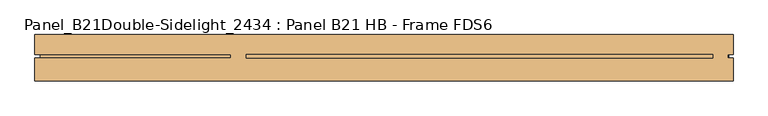
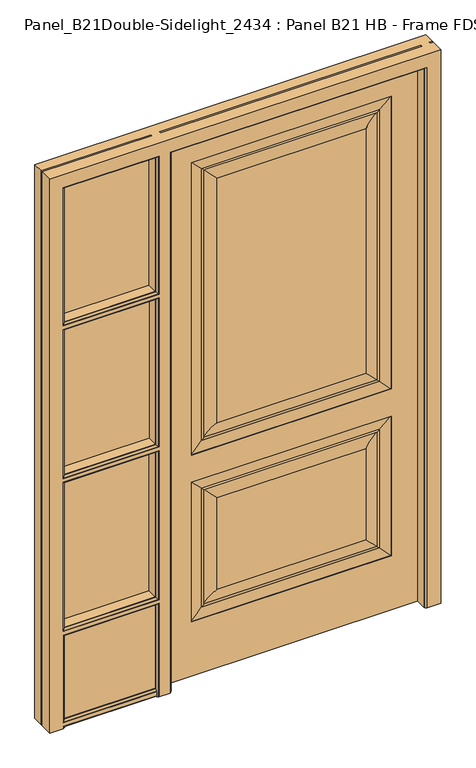
"""IFC4 building model written with IfcOpenShell, lengths in millimetres: door geometry, Panel_B21Double-Sidelight_2434 : Panel B21 HB - Frame FDS6."""

from ifc_helpers import new_model, si_unit, frame, origin, place, context, project, spatial, polyline, circle_curve, ellipse_curve, outline, extrude, source, transform, mapped, element, save
from ifc_brep_helpers import plane_surface, cylinder_surface, revolved_surface, advanced_brep


def panel_b21double_sidelight_2434_panel_b21_hb_frame_fds6_8e7d9f53(model_context):
    return source(origin(), model_context, "Body", "SolidModel", [
        advanced_brep(
        [(447.0, 0.0, 1985.0), (447.0, 44.45, 1985.0), (-447.0, 44.45, 1985.0), (-447.0, 0.0, 1985.0), (447.0, 0.0, 0.0), (-447.0, 0.0, 0.0), (-447.0, 44.45, 0.0), (447.0, 44.45, 0.0), (347.0, 0.0, 200.0), (-347.0, 0.0, 200.0), (-347.0, 0.0, 711.6666667), (347.0, 0.0, 711.6666667), (347.0, 0.0, 811.6666667), (-347.0, 0.0, 811.6666667), (-347.0, 0.0, 1885.0), (347.0, 0.0, 1885.0), (258.636302, 0.0, 623.3029687), (-258.636302, 0.0, 623.3029687), (-258.636302, 0.0, 288.363698), (258.636302, 0.0, 288.363698), (258.636302, 0.0, 1796.636302), (-258.636302, 0.0, 1796.636302), (-258.636302, 0.0, 900.0303647), (258.636302, 0.0, 900.0303647), (347.0, 1.0183566, 200.0), (347.0, 1.0183566, 711.6666667), (301.3336102, 6.6315511, 666.0002768), (301.3336102, 6.6315511, 245.6663898), (308.7657406, 4.9144196, 238.2342594), (308.7657406, 4.9144196, 673.4324073), (-347.0, 1.0183566, 200.0), (-301.3336102, 6.6315511, 245.6663898), (-308.7657406, 4.9144196, 238.2342594), (-347.0, 1.0183566, 711.6666667), (-301.3336102, 6.6315511, 666.0002768), (-308.7657406, 4.9144196, 673.4324073), (347.0, 1.0183566, 811.6666667), (347.0, 1.0183566, 1885.0), (301.3336102, 6.6315511, 1839.3336102), (301.3336102, 6.6315511, 857.3330565), (308.7657406, 4.9144196, 849.9009261), (308.7657406, 4.9144196, 1846.7657406), (-347.0, 1.0183566, 811.6666667), (-301.3336102, 6.6315511, 857.3330565), (-308.7657406, 4.9144196, 849.9009261), (-347.0, 1.0183566, 1885.0), (-301.3336102, 6.6315511, 1839.3336102), (-308.7657406, 4.9144196, 1846.7657406)],
        [
            (0, 1),
            (1, 2),
            (2, 3),
            (3, 0),
            (4, 5),
            (5, 6),
            (6, 7),
            (7, 4),
            (3, 5),
            (4, 0),
            (8, 9),
            (9, 10),
            (10, 11),
            (11, 8),
            (12, 13),
            (13, 14),
            (14, 15),
            (15, 12),
            (16, 17),
            (17, 18),
            (18, 19),
            (19, 16),
            (20, 21),
            (21, 22),
            (22, 23),
            (23, 20),
            (2, 6),
            (1, 7),
            (24, 8),
            (11, 25),
            (25, 24),
            (26, 16, ellipse_curve(frame((292.3362017, -76.2078428, 657.0028684), z_axis=(-0.7071067811865475, 0.0, 0.7071067811865475), x_axis=(0.7071067811865474, 0.0, 0.7071067811865476)), 117.8415763, 83.3265777)),
            (19, 27, ellipse_curve(frame((292.3362017, -76.2078428, 254.6637983), z_axis=(-0.7071067811865475, 0.0, -0.7071067811865475), x_axis=(-0.7071067811865474, 0.0, 0.7071067811865476)), 117.8415763, 83.3265777)),
            (27, 26),
            (27, 28, ellipse_curve(frame((305.2915169, 6.8197298, 241.7084831), z_axis=(0.7071067811865475, 0.0, 0.7071067811865475), x_axis=(0.7071067811865474, 0.0, -0.7071067811865476)), 5.6036483, 3.9623777)),
            (28, 29),
            (29, 26, ellipse_curve(frame((305.2915169, 6.8197298, 669.9581836), z_axis=(0.7071067811865475, 0.0, -0.7071067811865475), x_axis=(-0.7071067811865474, 0.0, -0.7071067811865476)), 5.6036483, 3.9623777)),
            (25, 29, ellipse_curve(frame((340.2777904, 124.6047169, 704.9444571), z_axis=(0.7071067811865475, 0.0, -0.7071067811865475), x_axis=(-0.7071067811865474, 0.0, -0.7071067811865476)), 175.0358624, 123.7690453)),
            (28, 24, ellipse_curve(frame((340.2777904, 124.6047169, 206.7222096), z_axis=(0.7071067811865475, 0.0, 0.7071067811865475), x_axis=(0.7071067811865474, 0.0, -0.7071067811865476)), 175.0358624, 123.7690453)),
            (30, 9),
            (24, 30),
            (18, 31, ellipse_curve(frame((-292.3362017, -76.2078428, 254.6637983), z_axis=(-0.7071067811865475, 0.0, 0.7071067811865475), x_axis=(0.7071067811865476, 0.0, 0.7071067811865474)), 117.8415763, 83.3265777)),
            (31, 27),
            (31, 32, ellipse_curve(frame((-305.2915169, 6.8197298, 241.7084831), z_axis=(0.7071067811865475, 0.0, -0.7071067811865475), x_axis=(-0.7071067811865476, 0.0, -0.7071067811865474)), 5.6036483, 3.9623777)),
            (32, 28),
            (32, 30, ellipse_curve(frame((-340.2777904, 124.6047169, 206.7222096), z_axis=(0.7071067811865475, 0.0, -0.7071067811865475), x_axis=(-0.7071067811865476, 0.0, -0.7071067811865474)), 175.0358624, 123.7690453)),
            (33, 10),
            (30, 33),
            (17, 34, ellipse_curve(frame((-292.3362017, -76.2078428, 657.0028684), z_axis=(0.7071067811865475, 0.0, 0.7071067811865475), x_axis=(0.7071067811865474, 0.0, -0.7071067811865476)), 117.8415763, 83.3265777)),
            (34, 31),
            (34, 35, ellipse_curve(frame((-305.2915169, 6.8197298, 669.9581836), z_axis=(-0.7071067811865475, 0.0, -0.7071067811865475), x_axis=(-0.7071067811865474, 0.0, 0.7071067811865476)), 5.6036483, 3.9623777)),
            (35, 32),
            (35, 33, ellipse_curve(frame((-340.2777904, 124.6047169, 704.9444571), z_axis=(-0.7071067811865475, 0.0, -0.7071067811865475), x_axis=(-0.7071067811865474, 0.0, 0.7071067811865476)), 175.0358624, 123.7690453)),
            (33, 25),
            (26, 34),
            (29, 35),
            (36, 12),
            (15, 37),
            (37, 36),
            (38, 20, ellipse_curve(frame((292.3362017, -76.2078428, 1830.3362017), z_axis=(-0.7071067811865475, 0.0, 0.7071067811865475), x_axis=(0.7071067811865474, 0.0, 0.7071067811865476)), 117.8415763, 83.3265777)),
            (23, 39, ellipse_curve(frame((292.3362017, -76.2078428, 866.330465), z_axis=(-0.7071067811865475, 0.0, -0.7071067811865475), x_axis=(-0.7071067811865474, 0.0, 0.7071067811865476)), 117.8415763, 83.3265777)),
            (39, 38),
            (39, 40, ellipse_curve(frame((305.2915169, 6.8197298, 853.3751497), z_axis=(0.7071067811865475, 0.0, 0.7071067811865475), x_axis=(0.7071067811865474, 0.0, -0.7071067811865476)), 5.6036483, 3.9623777)),
            (40, 41),
            (41, 38, ellipse_curve(frame((305.2915169, 6.8197298, 1843.2915169), z_axis=(0.7071067811865475, 0.0, -0.7071067811865475), x_axis=(-0.7071067811865474, 0.0, -0.7071067811865476)), 5.6036483, 3.9623777)),
            (37, 41, ellipse_curve(frame((340.2777904, 124.6047169, 1878.2777904), z_axis=(0.7071067811865475, 0.0, -0.7071067811865475), x_axis=(-0.7071067811865474, 0.0, -0.7071067811865476)), 175.0358624, 123.7690453)),
            (40, 36, ellipse_curve(frame((340.2777904, 124.6047169, 818.3888762), z_axis=(0.7071067811865475, 0.0, 0.7071067811865475), x_axis=(0.7071067811865474, 0.0, -0.7071067811865476)), 175.0358624, 123.7690453)),
            (42, 13),
            (36, 42),
            (22, 43, ellipse_curve(frame((-292.3362017, -76.2078428, 866.330465), z_axis=(-0.7071067811865475, 0.0, 0.7071067811865475), x_axis=(0.7071067811865476, 0.0, 0.7071067811865474)), 117.8415763, 83.3265777)),
            (43, 39),
            (43, 44, ellipse_curve(frame((-305.2915169, 6.8197298, 853.3751497), z_axis=(0.7071067811865475, 0.0, -0.7071067811865475), x_axis=(-0.7071067811865476, 0.0, -0.7071067811865474)), 5.6036483, 3.9623777)),
            (44, 40),
            (44, 42, ellipse_curve(frame((-340.2777904, 124.6047169, 818.3888762), z_axis=(0.7071067811865475, 0.0, -0.7071067811865475), x_axis=(-0.7071067811865476, 0.0, -0.7071067811865474)), 175.0358624, 123.7690453)),
            (45, 14),
            (42, 45),
            (21, 46, ellipse_curve(frame((-292.3362017, -76.2078428, 1830.3362017), z_axis=(0.7071067811865475, 0.0, 0.7071067811865475), x_axis=(0.7071067811865474, 0.0, -0.7071067811865476)), 117.8415763, 83.3265777)),
            (46, 43),
            (46, 47, ellipse_curve(frame((-305.2915169, 6.8197298, 1843.2915169), z_axis=(-0.7071067811865475, 0.0, -0.7071067811865475), x_axis=(-0.7071067811865474, 0.0, 0.7071067811865476)), 5.6036483, 3.9623777)),
            (47, 44),
            (47, 45, ellipse_curve(frame((-340.2777904, 124.6047169, 1878.2777904), z_axis=(-0.7071067811865475, 0.0, -0.7071067811865475), x_axis=(-0.7071067811865474, 0.0, 0.7071067811865476)), 175.0358624, 123.7690453)),
            (45, 37),
            (38, 46),
            (41, 47),
        ],
        [
            plane_surface(frame((-447.0, 0.0, 1985.0), z_axis=(0.0, 0.0, 1.0), x_axis=(-1.0, 0.0, 0.0))),
            plane_surface(frame((-447.0, 0.0, 0.0), z_axis=(0.0, 0.0, -1.0), x_axis=(1.0, 0.0, 0.0))),
            plane_surface(frame((447.0, 0.0, 1985.0), z_axis=(0.0, -1.0, 0.0), x_axis=(0.0, 0.0, -1.0))),
            plane_surface(frame((-447.0, 0.0, 1985.0), z_axis=(-1.0, 0.0, 0.0), x_axis=(0.0, 0.0, -1.0))),
            plane_surface(frame((-447.0, 44.45, 1985.0), z_axis=(0.0, 1.0, 0.0), x_axis=(0.0, 0.0, -1.0))),
            plane_surface(frame((447.0, 44.45, 1985.0), z_axis=(1.0, 0.0, 0.0), x_axis=(0.0, 0.0, -1.0))),
            plane_surface(frame((347.0, 1.0183566, 711.6666667), z_axis=(-1.0, 0.0, 0.0), x_axis=(0.0, 0.0, -1.0))),
            revolved_surface(polyline([(209.009624, -76.2078428, 740.329446107442), (209.009624, -76.2078428, 171.33722059255808)]), (292.3362017, -76.2078428, 711.6666667), (0.0, 0.0, 1.0)),
            cylinder_surface(frame((305.2915169, 6.8197298, 711.6666667), z_axis=(0.0, 0.0, -1.0), x_axis=(-1.0, 0.0, 0.0)), 3.9623777),
            cylinder_surface(frame((340.2777904, 124.6047169, 711.6666667), z_axis=(0.0, 0.0, -1.0), x_axis=(-1.0, 0.0, 0.0)), 123.7690453),
            plane_surface(frame((347.0, 1.0183566, 200.0), z_axis=(0.0, 0.0, 1.0), x_axis=(-1.0, 0.0, 0.0))),
            revolved_surface(polyline([(375.6627794074419, -76.2078428, 337.99037599999997), (-375.6627794074419, -76.2078428, 337.99037599999997)]), (347.0, -76.2078428, 254.6637983), (1.0, 0.0, 0.0)),
            cylinder_surface(frame((347.0, 6.8197298, 241.7084831), z_axis=(-1.0, 0.0, 0.0), x_axis=(0.0, 0.0, 1.0)), 3.9623777),
            cylinder_surface(frame((347.0, 124.6047169, 206.7222096), z_axis=(-1.0, 0.0, 0.0), x_axis=(0.0, 0.0, 1.0)), 123.7690453),
            plane_surface(frame((-347.0, 1.0183566, 200.0), z_axis=(1.0, 0.0, 0.0), x_axis=(0.0, 0.0, 1.0))),
            revolved_surface(polyline([(-209.009624, -76.2078428, 171.33722059255808), (-209.009624, -76.2078428, 740.329446107442)]), (-292.3362017, -76.2078428, 200.0), (0.0, 0.0, -1.0)),
            cylinder_surface(frame((-305.2915169, 6.8197298, 200.0), z_axis=(0.0, 0.0, 1.0), x_axis=(1.0, 0.0, 0.0)), 3.9623777),
            cylinder_surface(frame((-340.2777904, 124.6047169, 200.0), z_axis=(0.0, 0.0, 1.0), x_axis=(1.0, 0.0, 0.0)), 123.7690453),
            plane_surface(frame((-347.0, 1.0183566, 711.6666667), z_axis=(0.0, 0.0, -1.0), x_axis=(1.0, 0.0, 0.0))),
            revolved_surface(polyline([(-375.6627794074419, -76.2078428, 573.6762907), (375.6627794074419, -76.2078428, 573.6762907)]), (-347.0, -76.2078428, 657.0028684), (-1.0, 0.0, 0.0)),
            cylinder_surface(frame((-347.0, 6.8197298, 669.9581836), z_axis=(1.0, 0.0, 0.0), x_axis=(0.0, 0.0, -1.0)), 3.9623777),
            cylinder_surface(frame((-347.0, 124.6047169, 704.9444571), z_axis=(1.0, 0.0, 0.0), x_axis=(0.0, 0.0, -1.0)), 123.7690453),
            plane_surface(frame((347.0, 1.0183566, 1885.0), z_axis=(-1.0, 0.0, 0.0), x_axis=(0.0, 0.0, -1.0))),
            revolved_surface(polyline([(209.009624, -76.2078428, 1913.6627794074418), (209.009624, -76.2078428, 783.0038872925581)]), (292.3362017, -76.2078428, 1885.0), (0.0, 0.0, 1.0)),
            cylinder_surface(frame((305.2915169, 6.8197298, 1885.0), z_axis=(0.0, 0.0, -1.0), x_axis=(-1.0, 0.0, 0.0)), 3.9623777),
            cylinder_surface(frame((340.2777904, 124.6047169, 1885.0), z_axis=(0.0, 0.0, -1.0), x_axis=(-1.0, 0.0, 0.0)), 123.7690453),
            plane_surface(frame((347.0, 1.0183566, 811.6666667), z_axis=(0.0, 0.0, 1.0), x_axis=(-1.0, 0.0, 0.0))),
            revolved_surface(polyline([(375.6627794074419, -76.2078428, 949.6570427), (-375.6627794074419, -76.2078428, 949.6570427)]), (347.0, -76.2078428, 866.330465), (1.0, 0.0, 0.0)),
            cylinder_surface(frame((347.0, 6.8197298, 853.3751497), z_axis=(-1.0, 0.0, 0.0), x_axis=(0.0, 0.0, 1.0)), 3.9623777),
            cylinder_surface(frame((347.0, 124.6047169, 818.3888762), z_axis=(-1.0, 0.0, 0.0), x_axis=(0.0, 0.0, 1.0)), 123.7690453),
            plane_surface(frame((-347.0, 1.0183566, 811.6666667), z_axis=(1.0, 0.0, 0.0), x_axis=(0.0, 0.0, 1.0))),
            revolved_surface(polyline([(-209.009624, -76.2078428, 783.003887292558), (-209.009624, -76.2078428, 1913.6627794074418)]), (-292.3362017, -76.2078428, 811.6666667), (0.0, 0.0, -1.0)),
            cylinder_surface(frame((-305.2915169, 6.8197298, 811.6666667), z_axis=(0.0, 0.0, 1.0), x_axis=(1.0, 0.0, 0.0)), 3.9623777),
            cylinder_surface(frame((-340.2777904, 124.6047169, 811.6666667), z_axis=(0.0, 0.0, 1.0), x_axis=(1.0, 0.0, 0.0)), 123.7690453),
            plane_surface(frame((-347.0, 1.0183566, 1885.0), z_axis=(0.0, 0.0, -1.0), x_axis=(1.0, 0.0, 0.0))),
            revolved_surface(polyline([(-375.6627794074419, -76.2078428, 1747.009624), (375.6627794074419, -76.2078428, 1747.009624)]), (-347.0, -76.2078428, 1830.3362017), (-1.0, 0.0, 0.0)),
            cylinder_surface(frame((-347.0, 6.8197298, 1843.2915169), z_axis=(1.0, 0.0, 0.0), x_axis=(0.0, 0.0, -1.0)), 3.9623777),
            cylinder_surface(frame((-347.0, 124.6047169, 1878.2777904), z_axis=(1.0, 0.0, 0.0), x_axis=(0.0, 0.0, -1.0)), 123.7690453),
        ],
        [
            (0, [[1, 2, 3, 4]]),
            (1, [[5, 6, 7, 8]]),
            (2, [[9, -5, 10, -4], [11, 12, 13, 14], [15, 16, 17, 18]]),
            (2, [[19, 20, 21, 22]]),
            (2, [[23, 24, 25, 26]]),
            (3, [[27, -6, -9, -3]]),
            (4, [[28, -7, -27, -2]]),
            (5, [[-10, -8, -28, -1]]),
            (6, [[29, -14, 30, 31]]),
            (7, [[32, -22, 33, 34]]),
            (8, [[35, 36, 37, -34]]),
            (9, [[38, -36, 39, -31]]),
            (10, [[40, -11, -29, 41]]),
            (11, [[-33, -21, 42, 43]]),
            (12, [[-43, 44, 45, -35]]),
            (13, [[-45, 46, -41, -39]]),
            (14, [[47, -12, -40, 48]]),
            (15, [[-42, -20, 49, 50]]),
            (16, [[-50, 51, 52, -44]]),
            (17, [[-52, 53, -48, -46]]),
            (18, [[-30, -13, -47, 54]]),
            (19, [[-49, -19, -32, 55]]),
            (20, [[56, -51, -55, -37]]),
            (21, [[-54, -53, -56, -38]]),
            (22, [[57, -18, 58, 59]]),
            (23, [[60, -26, 61, 62]]),
            (24, [[63, 64, 65, -62]]),
            (25, [[66, -64, 67, -59]]),
            (26, [[68, -15, -57, 69]]),
            (27, [[-61, -25, 70, 71]]),
            (28, [[-71, 72, 73, -63]]),
            (29, [[-73, 74, -69, -67]]),
            (30, [[75, -16, -68, 76]]),
            (31, [[-70, -24, 77, 78]]),
            (32, [[-78, 79, 80, -72]]),
            (33, [[-80, 81, -76, -74]]),
            (34, [[-58, -17, -75, 82]]),
            (35, [[-77, -23, -60, 83]]),
            (36, [[84, -79, -83, -65]]),
            (37, [[-82, -81, -84, -66]]),
        ],
    ),
        extrude(outline(polyline([(-825.0, 6.0), (-484.0, 6.0), (-484.0, 0.0), (-825.0, 0.0), (-825.0, 6.0)])), frame((0.0, 0.0, 893.0), z_axis=(0.0, 0.0, 1.0), x_axis=(1.0, 0.0, 0.0)), (0.0, 0.0, 1.0), 573.3333333),
        advanced_brep(
        [(-818.0, -45.0, 0.0), (-865.0, -45.0, 0.0), (-865.0, 0.0, 0.0), (-855.0, 0.0, 0.0), (-855.0, 6.0, 0.0), (-865.0, 6.0, 0.0), (-865.0, 45.0, 0.0), (-447.0, 45.0, 0.0), (-447.0, 6.0, 0.0), (-454.0, 6.0, 0.0), (-454.0, 0.0, 0.0), (-439.0, 0.0, 0.0), (-439.0, -37.0, 0.0), (-441.0, -37.0, 0.0), (-447.0, -43.0, 0.0), (-447.0, -45.0, 0.0), (-486.0, -45.0, 0.0), (-486.0, -43.0, 0.0), (-492.0, -37.0, 0.0), (-812.0, -37.0, 0.0), (-818.0, -43.0, 0.0), (-484.0, 6.0, 0.0), (-825.0, 6.0, 0.0), (-825.0, 0.0, 0.0), (-484.0, 0.0, 0.0), (-818.0, -43.0, 8.0), (-818.0, -45.0, 8.0), (-818.0, -45.0, 1985.0), (-818.0, -45.0, 1478.3333333), (-818.0, -43.0, 1478.3333333), (-818.0, -43.0, 1985.0), (-818.0, -45.0, 1464.3333333), (-818.0, -45.0, 917.6666667), (-818.0, -43.0, 917.6666667), (-818.0, -43.0, 1464.3333333), (-818.0, -45.0, 903.6666667), (-818.0, -45.0, 357.0), (-818.0, -43.0, 357.0), (-818.0, -43.0, 903.6666667), (-818.0, -45.0, 343.0), (-818.0, -45.0, 22.0), (-818.0, -43.0, 22.0), (-818.0, -43.0, 343.0), (-812.0, -37.0, 2.0), (-812.0, -37.0, 1484.3333333), (-812.0, -37.0, 1979.0), (-812.0, -37.0, 923.6666667), (-812.0, -37.0, 1458.3333333), (-812.0, -37.0, 363.0), (-812.0, -37.0, 897.6666667), (-812.0, -37.0, 28.0), (-812.0, -37.0, 337.0), (-492.0, -37.0, 337.0), (-494.0, -37.0, 28.0), (-494.0, -37.0, 2.0), (-810.0, -37.0, 335.0), (-494.0, -37.0, 335.0), (-494.0, -37.0, 30.0), (-810.0, -37.0, 30.0), (441.0, -37.0, 1979.0), (-441.0, -37.0, 1979.0), (-439.0, -37.0, 1977.0), (439.0, -37.0, 1977.0), (439.0, -37.0, 0.0), (441.0, -37.0, 0.0), (-492.0, -37.0, 1484.3333333), (-492.0, -37.0, 1979.0), (-494.0, -37.0, 1977.0), (-494.0, -37.0, 1486.3333333), (-810.0, -37.0, 1486.3333333), (-810.0, -37.0, 1977.0), (-492.0, -37.0, 923.6666667), (-492.0, -37.0, 1458.3333333), (-494.0, -37.0, 1456.3333333), (-494.0, -37.0, 925.6666667), (-810.0, -37.0, 925.6666667), (-810.0, -37.0, 1456.3333333), (-492.0, -37.0, 363.0), (-492.0, -37.0, 897.6666667), (-494.0, -37.0, 895.6666667), (-494.0, -37.0, 365.0), (-810.0, -37.0, 365.0), (-810.0, -37.0, 895.6666667), (-810.0, 0.0, 1486.3333333), (-810.0, 0.0, 1977.0), (-810.0, 0.0, 925.6666667), (-810.0, 0.0, 1456.3333333), (-810.0, 0.0, 365.0), (-810.0, 0.0, 895.6666667), (-810.0, 0.0, 30.0), (-810.0, 0.0, 335.0), (439.0, 0.0, 1977.0), (-439.0, 0.0, 1977.0), (-454.0, 0.0, 1992.0), (454.0, 0.0, 1992.0), (454.0, 0.0, 1476.3333333), (447.0, 0.0, 1476.3333333), (447.0, 0.0, 1466.3333333), (454.0, 0.0, 1466.3333333), (454.0, 0.0, 0.0), (439.0, 0.0, 0.0), (-825.0, 0.0, 1992.0), (-484.0, 0.0, 1992.0), (-494.0, 0.0, 335.0), (-494.0, 0.0, 30.0), (-494.0, 0.0, 20.0), (-818.0, 0.0, 20.0), (-818.0, 0.0, 10.0), (-494.0, 0.0, 10.0), (-494.0, 0.0, 1486.3333333), (-494.0, 0.0, 1977.0), (-494.0, 0.0, 925.6666667), (-494.0, 0.0, 1456.3333333), (-818.0, 0.0, 1466.3333333), (-486.0, 0.0, 1466.3333333), (-486.0, 0.0, 1476.3333333), (-818.0, 0.0, 1476.3333333), (-494.0, 0.0, 365.0), (-494.0, 0.0, 895.6666667), (-818.0, 0.0, 905.6666667), (-486.0, 0.0, 905.6666667), (-486.0, 0.0, 915.6666667), (-818.0, 0.0, 915.6666667), (-818.0, 0.0, 345.0), (-486.0, 0.0, 345.0), (-486.0, 0.0, 355.0), (-818.0, 0.0, 355.0), (-825.0, 6.0, 1992.0), (-484.0, 6.0, 1992.0), (-818.0, 6.0, 335.0), (-494.0, 6.0, 335.0), (-494.0, 6.0, 30.0), (-818.0, 6.0, 30.0), (-818.0, 6.0, 20.0), (-494.0, 6.0, 20.0), (-494.0, 6.0, 10.0), (-818.0, 6.0, 10.0), (-494.0, 6.0, 1985.0), (-494.0, 6.0, 1486.3333333), (-818.0, 6.0, 1486.3333333), (-818.0, 6.0, 1985.0), (-494.0, 6.0, 1456.3333333), (-494.0, 6.0, 925.6666667), (-818.0, 6.0, 925.6666667), (-818.0, 6.0, 1456.3333333), (-818.0, 6.0, 1476.3333333), (-486.0, 6.0, 1476.3333333), (-486.0, 6.0, 1466.3333333), (-818.0, 6.0, 1466.3333333), (-494.0, 6.0, 895.6666667), (-494.0, 6.0, 365.0), (-818.0, 6.0, 365.0), (-818.0, 6.0, 895.6666667), (-818.0, 6.0, 915.6666667), (-486.0, 6.0, 915.6666667), (-486.0, 6.0, 905.6666667), (-818.0, 6.0, 905.6666667), (-818.0, 6.0, 355.0), (-486.0, 6.0, 355.0), (-486.0, 6.0, 345.0), (-818.0, 6.0, 345.0), (454.0, 6.0, 0.0), (454.0, 6.0, 1466.3333333), (447.0, 6.0, 1466.3333333), (447.0, 6.0, 0.0), (454.0, 6.0, 1476.3333333), (454.0, 6.0, 1992.0), (-454.0, 6.0, 1992.0), (-447.0, 6.0, 1985.0), (447.0, 6.0, 1985.0), (447.0, 6.0, 1476.3333333), (-818.0, 45.0, 1486.3333333), (-818.0, 45.0, 1985.0), (-818.0, 45.0, 925.6666667), (-818.0, 45.0, 1456.3333333), (-818.0, 45.0, 365.0), (-818.0, 45.0, 895.6666667), (-818.0, 45.0, 30.0), (-818.0, 45.0, 335.0), (-865.0, 45.0, 2032.0), (494.0, 45.0, 2032.0), (494.0, 45.0, 0.0), (447.0, 45.0, 0.0), (447.0, 45.0, 1985.0), (-447.0, 45.0, 1985.0), (-494.0, 45.0, 365.0), (-494.0, 45.0, 895.6666667), (-494.0, 45.0, 925.6666667), (-494.0, 45.0, 1456.3333333), (-494.0, 45.0, 1486.3333333), (-494.0, 45.0, 1985.0), (-494.0, 45.0, 335.0), (-494.0, 45.0, 30.0), (-865.0, 6.0, 2032.0), (-855.0, 6.0, 2022.0), (-494.0, 6.0, 2022.0), (-484.0, 6.0, 2022.0), (-484.0, 6.0, 2032.0), (494.0, 6.0, 2032.0), (484.0, 6.0, 2032.0), (484.0, 6.0, 1486.3333333), (484.0, 6.0, 1476.3333333), (486.0, 6.0, 1476.3333333), (486.0, 6.0, 1466.3333333), (484.0, 6.0, 1466.3333333), (484.0, 6.0, 1456.3333333), (484.0, 6.0, 0.0), (494.0, 6.0, 0.0), (454.0, 6.0, 2022.0), (454.0, 6.0, 2032.0), (-454.0, 6.0, 2032.0), (-454.0, 6.0, 2022.0), (-447.0, 6.0, 2022.0), (447.0, 6.0, 2022.0), (-855.0, 0.0, 2022.0), (-865.0, 0.0, 2032.0), (-484.0, 0.0, 2032.0), (-484.0, 0.0, 2022.0), (-494.0, 0.0, 2022.0), (484.0, 0.0, 0.0), (484.0, 0.0, 1456.3333333), (484.0, 0.0, 1466.3333333), (486.0, 0.0, 1466.3333333), (486.0, 0.0, 1476.3333333), (484.0, 0.0, 1476.3333333), (484.0, 0.0, 1486.3333333), (484.0, 0.0, 2032.0), (494.0, 0.0, 2032.0), (494.0, 0.0, 0.0), (439.0, 0.0, 2022.0), (-439.0, 0.0, 2022.0), (-454.0, 0.0, 2022.0), (-454.0, 0.0, 2032.0), (454.0, 0.0, 2032.0), (454.0, 0.0, 2022.0), (-865.0, -45.0, 2032.0), (-494.0, -45.0, 8.0), (-494.0, -45.0, 22.0), (-486.0, -45.0, 343.0), (-447.0, -45.0, 1985.0), (447.0, -45.0, 1985.0), (447.0, -45.0, 0.0), (494.0, -45.0, 0.0), (494.0, -45.0, 2032.0), (-486.0, -45.0, 903.6666667), (-486.0, -45.0, 357.0), (-486.0, -45.0, 1464.3333333), (-486.0, -45.0, 917.6666667), (-486.0, -45.0, 1985.0), (-486.0, -45.0, 1478.3333333), (-486.0, -43.0, 1985.0), (-447.0, -43.0, 1985.0), (447.0, -43.0, 1985.0), (494.0, -37.0, 0.0), (447.0, -43.0, 0.0), (447.0, -43.0, 1478.3333333), (447.0, -43.0, 1464.3333333), (-486.0, -43.0, 343.0), (-486.0, -43.0, 1478.3333333), (-486.0, -43.0, 1464.3333333), (-486.0, -43.0, 917.6666667), (-486.0, -43.0, 903.6666667), (-486.0, -43.0, 357.0), (-494.0, -43.0, 8.0), (-494.0, -43.0, 22.0)],
        [
            (0, 1),
            (1, 2),
            (2, 3),
            (3, 4),
            (4, 5),
            (5, 6),
            (6, 7),
            (7, 8),
            (8, 9),
            (9, 10),
            (10, 11),
            (11, 12),
            (12, 13),
            (13, 14, circle_curve(frame((-447.0, -37.0, 0.0), z_axis=(0.0, 0.0, -1.0), x_axis=(0.0, 1.0, 0.0)), 6.0)),
            (14, 15),
            (15, 16),
            (16, 17),
            (17, 18, circle_curve(frame((-486.0, -37.0, 0.0), z_axis=(0.0, 0.0, -1.0), x_axis=(0.0, 1.0, 0.0)), 6.0)),
            (18, 19),
            (19, 20, circle_curve(frame((-818.0, -37.0, 0.0), z_axis=(0.0, 0.0, -1.0), x_axis=(0.0, 1.0, 0.0)), 6.0)),
            (20, 0),
            (21, 22),
            (22, 23),
            (23, 24),
            (24, 21),
            (20, 25),
            (25, 26),
            (26, 0),
            (27, 28),
            (28, 29),
            (29, 30),
            (30, 27),
            (31, 32),
            (32, 33),
            (33, 34),
            (34, 31),
            (35, 36),
            (36, 37),
            (37, 38),
            (38, 35),
            (39, 40),
            (40, 41),
            (41, 42),
            (42, 39),
            (19, 43),
            (43, 25, ellipse_curve(frame((-818.0, -37.0, 8.0), z_axis=(-0.7071067811865475, 0.0, -0.7071067811865475), x_axis=(0.7071067811865474, 0.0, -0.7071067811865476)), 8.4852814, 6.0)),
            (29, 44, ellipse_curve(frame((-818.0, -37.0, 1478.3333333), z_axis=(-0.7071067811865475, 0.0, 0.7071067811865475), x_axis=(-0.7071067811865474, 0.0, -0.7071067811865476)), 8.4852814, 6.0)),
            (44, 45),
            (45, 30, ellipse_curve(frame((-818.0, -37.0, 1985.0), z_axis=(-0.7071067811865475, 0.0, -0.7071067811865475), x_axis=(0.7071067811865474, 0.0, -0.7071067811865476)), 8.4852814, 6.0)),
            (33, 46, ellipse_curve(frame((-818.0, -37.0, 917.6666667), z_axis=(-0.7071067811865475, 0.0, 0.7071067811865475), x_axis=(-0.7071067811865474, 0.0, -0.7071067811865476)), 8.4852814, 6.0)),
            (46, 47),
            (47, 34, ellipse_curve(frame((-818.0, -37.0, 1464.3333333), z_axis=(-0.7071067811865475, 0.0, -0.7071067811865475), x_axis=(0.7071067811865474, 0.0, -0.7071067811865476)), 8.4852814, 6.0)),
            (37, 48, ellipse_curve(frame((-818.0, -37.0, 357.0), z_axis=(-0.7071067811865475, 0.0, 0.7071067811865475), x_axis=(-0.7071067811865474, 0.0, -0.7071067811865476)), 8.4852814, 6.0)),
            (48, 49),
            (49, 38, ellipse_curve(frame((-818.0, -37.0, 903.6666667), z_axis=(-0.7071067811865475, 0.0, -0.7071067811865475), x_axis=(0.7071067811865474, 0.0, -0.7071067811865476)), 8.4852814, 6.0)),
            (41, 50, ellipse_curve(frame((-818.0, -37.0, 22.0), z_axis=(-0.7071067811865475, 0.0, 0.7071067811865475), x_axis=(-0.7071067811865474, 0.0, -0.7071067811865476)), 8.4852814, 6.0)),
            (50, 51),
            (51, 42, ellipse_curve(frame((-818.0, -37.0, 343.0), z_axis=(-0.7071067811865475, 0.0, -0.7071067811865475), x_axis=(0.7071067811865474, 0.0, -0.7071067811865476)), 8.4852814, 6.0)),
            (18, 52),
            (52, 51),
            (50, 53),
            (53, 54),
            (54, 43),
            (55, 56),
            (56, 57),
            (57, 58),
            (58, 55),
            (59, 60),
            (60, 13),
            (12, 61),
            (61, 62),
            (62, 63),
            (63, 64),
            (64, 59),
            (44, 65),
            (65, 66),
            (66, 45),
            (67, 68),
            (68, 69),
            (69, 70),
            (70, 67),
            (46, 71),
            (71, 72),
            (72, 47),
            (73, 74),
            (74, 75),
            (75, 76),
            (76, 73),
            (48, 77),
            (77, 78),
            (78, 49),
            (79, 80),
            (80, 81),
            (81, 82),
            (82, 79),
            (69, 83),
            (83, 84),
            (84, 70),
            (75, 85),
            (85, 86),
            (86, 76),
            (81, 87),
            (87, 88),
            (88, 82),
            (58, 89),
            (89, 90),
            (90, 55),
            (91, 92),
            (92, 11),
            (10, 93),
            (93, 94),
            (94, 95),
            (95, 96),
            (96, 97),
            (97, 98),
            (98, 99),
            (99, 100),
            (100, 91),
            (101, 102),
            (102, 24),
            (23, 101),
            (103, 90),
            (89, 104),
            (104, 103),
            (105, 106),
            (106, 107),
            (107, 108),
            (108, 105),
            (83, 109),
            (109, 110),
            (110, 84),
            (85, 111),
            (111, 112),
            (112, 86),
            (113, 114),
            (114, 115),
            (115, 116),
            (116, 113),
            (87, 117),
            (117, 118),
            (118, 88),
            (119, 120),
            (120, 121),
            (121, 122),
            (122, 119),
            (123, 124),
            (124, 125),
            (125, 126),
            (126, 123),
            (22, 127),
            (127, 101),
            (21, 128),
            (128, 127),
            (129, 130),
            (130, 131),
            (131, 132),
            (132, 129),
            (133, 134),
            (134, 135),
            (135, 136),
            (136, 133),
            (137, 138),
            (138, 139),
            (139, 140),
            (140, 137),
            (141, 142),
            (142, 143),
            (143, 144),
            (144, 141),
            (145, 146),
            (146, 147),
            (147, 148),
            (148, 145),
            (149, 150),
            (150, 151),
            (151, 152),
            (152, 149),
            (153, 154),
            (154, 155),
            (155, 156),
            (156, 153),
            (157, 158),
            (158, 159),
            (159, 160),
            (160, 157),
            (161, 162),
            (162, 163),
            (163, 164),
            (164, 161),
            (165, 166),
            (166, 167),
            (167, 9),
            (8, 168),
            (168, 169),
            (169, 170),
            (170, 165),
            (139, 171),
            (171, 172),
            (172, 140),
            (143, 173),
            (173, 174),
            (174, 144),
            (151, 175),
            (175, 176),
            (176, 152),
            (132, 177),
            (177, 178),
            (178, 129),
            (6, 179),
            (179, 180),
            (180, 181),
            (181, 182),
            (182, 183),
            (183, 184),
            (184, 7),
            (175, 185),
            (185, 186),
            (186, 176),
            (173, 187),
            (187, 188),
            (188, 174),
            (171, 189),
            (189, 190),
            (190, 172),
            (191, 178),
            (177, 192),
            (192, 191),
            (5, 193),
            (193, 179),
            (4, 194),
            (194, 195),
            (195, 196),
            (196, 197),
            (197, 193),
            (198, 199),
            (199, 200),
            (200, 201),
            (201, 202),
            (202, 203),
            (203, 204),
            (204, 205),
            (205, 206),
            (206, 207),
            (207, 198),
            (208, 209),
            (209, 210),
            (210, 211),
            (211, 212),
            (212, 213),
            (213, 208),
            (3, 214),
            (214, 194),
            (2, 215),
            (215, 216),
            (216, 217),
            (217, 218),
            (218, 214),
            (219, 220),
            (220, 221),
            (221, 222),
            (222, 223),
            (223, 224),
            (224, 225),
            (225, 226),
            (226, 227),
            (227, 228),
            (228, 219),
            (229, 230),
            (230, 231),
            (231, 232),
            (232, 233),
            (233, 234),
            (234, 229),
            (1, 235),
            (235, 215),
            (26, 236),
            (236, 237),
            (237, 40),
            (39, 238),
            (238, 16),
            (15, 239),
            (239, 240),
            (240, 241),
            (241, 242),
            (242, 243),
            (243, 235),
            (244, 245),
            (245, 36),
            (35, 244),
            (246, 247),
            (247, 32),
            (31, 246),
            (248, 249),
            (249, 28),
            (27, 248),
            (30, 250),
            (250, 248),
            (239, 251),
            (251, 252),
            (252, 240),
            (66, 250, ellipse_curve(frame((-486.0, -37.0, 1985.0), z_axis=(-0.7071067811865476, 0.0, 0.7071067811865475), x_axis=(-0.7071067811865475, 0.0, -0.7071067811865476)), 8.4852814, 6.0)),
            (251, 60, ellipse_curve(frame((-447.0, -37.0, 1985.0), z_axis=(0.7071067811865475, 0.0, 0.7071067811865476), x_axis=(-0.7071067811865476, 0.0, 0.7071067811865475)), 8.4852814, 6.0)),
            (59, 252, ellipse_curve(frame((447.0, -37.0, 1985.0), z_axis=(-0.7071067811865475, 0.0, 0.7071067811865475), x_axis=(-0.7071067811865476, 0.0, -0.7071067811865474)), 8.4852814, 6.0)),
            (110, 67),
            (61, 92),
            (91, 62),
            (128, 102),
            (93, 167),
            (166, 94),
            (190, 137),
            (168, 184),
            (183, 169),
            (197, 216),
            (243, 227),
            (226, 199),
            (198, 180),
            (232, 210),
            (209, 233),
            (217, 196),
            (234, 208),
            (211, 231),
            (63, 100),
            (99, 161),
            (164, 182),
            (181, 207),
            (206, 219),
            (228, 253),
            (253, 242),
            (241, 254),
            (254, 64, circle_curve(frame((447.0, -37.0, 0.0), z_axis=(0.0, 0.0, -1.0), x_axis=(0.0, 1.0, 0.0)), 6.0)),
            (252, 255),
            (255, 256),
            (256, 254),
            (165, 95),
            (98, 162),
            (163, 97),
            (96, 170),
            (204, 221),
            (224, 201),
            (222, 203),
            (202, 223),
            (238, 257),
            (257, 17),
            (250, 258),
            (258, 249),
            (259, 260),
            (260, 247),
            (246, 259),
            (261, 262),
            (262, 245),
            (244, 261),
            (257, 52, ellipse_curve(frame((-486.0, -37.0, 343.0), z_axis=(0.7071067811865476, 0.0, -0.7071067811865475), x_axis=(0.7071067811865475, 0.0, 0.7071067811865475)), 8.4852814, 6.0)),
            (65, 258, ellipse_curve(frame((-486.0, -37.0, 1478.3333333), z_axis=(0.7071067811865475, 0.0, 0.7071067811865476), x_axis=(-0.7071067811865475, 0.0, 0.7071067811865475)), 8.4852814, 6.0)),
            (71, 260, ellipse_curve(frame((-486.0, -37.0, 917.6666667), z_axis=(0.7071067811865475, 0.0, 0.7071067811865476), x_axis=(-0.7071067811865475, 0.0, 0.7071067811865475)), 8.4852814, 6.0)),
            (259, 72, ellipse_curve(frame((-486.0, -37.0, 1464.3333333), z_axis=(0.7071067811865476, 0.0, -0.7071067811865475), x_axis=(0.7071067811865475, 0.0, 0.7071067811865475)), 8.4852814, 6.0)),
            (77, 262, ellipse_curve(frame((-486.0, -37.0, 357.0), z_axis=(0.7071067811865475, 0.0, 0.7071067811865476), x_axis=(-0.7071067811865475, 0.0, 0.7071067811865475)), 8.4852814, 6.0)),
            (261, 78, ellipse_curve(frame((-486.0, -37.0, 903.6666667), z_axis=(0.7071067811865476, 0.0, -0.7071067811865475), x_axis=(0.7071067811865475, 0.0, 0.7071067811865475)), 8.4852814, 6.0)),
            (109, 68),
            (111, 74),
            (73, 112),
            (117, 80),
            (79, 118),
            (104, 57),
            (56, 103),
            (189, 138),
            (187, 142),
            (141, 188),
            (185, 150),
            (149, 186),
            (192, 131),
            (130, 191),
            (251, 14),
            (116, 145),
            (148, 113),
            (114, 147),
            (146, 115),
            (34, 259),
            (29, 258),
            (122, 153),
            (156, 119),
            (120, 155),
            (154, 121),
            (38, 261),
            (33, 260),
            (126, 157),
            (160, 123),
            (124, 159),
            (158, 125),
            (42, 257),
            (37, 262),
            (106, 133),
            (136, 107),
            (236, 263),
            (263, 54, circle_curve(frame((-494.0, -37.0, 8.0), z_axis=(1.0, 0.0, 0.0), x_axis=(0.0, 1.0, 0.0)), 6.0)),
            (53, 264, circle_curve(frame((-494.0, -37.0, 22.0), z_axis=(1.0, 0.0, 0.0), x_axis=(0.0, 1.0, 0.0)), 6.0)),
            (264, 237),
            (108, 135),
            (134, 105),
            (25, 263),
            (41, 264),
        ],
        [
            plane_surface(frame((-865.0, 0.0, 0.0), z_axis=(0.0, 0.0, -1.0), x_axis=(0.0, 1.0, 0.0))),
            plane_surface(frame((-818.0, -45.0, 0.0), z_axis=(1.0, 0.0, 0.0), x_axis=(0.0, 0.0, 1.0))),
            cylinder_surface(frame((-818.0, -37.0, 0.0), z_axis=(0.0, 0.0, -1.0), x_axis=(0.0, 1.0, 0.0)), 6.0),
            plane_surface(frame((-812.0, -37.0, 0.0), z_axis=(0.0, -1.0, 0.0), x_axis=(0.0, 0.0, 1.0))),
            plane_surface(frame((-810.0, -37.0, 0.0), z_axis=(1.0, 0.0, 0.0), x_axis=(0.0, 0.0, 1.0))),
            plane_surface(frame((-810.0, 0.0, 0.0), z_axis=(0.0, 1.0, 0.0), x_axis=(0.0, 0.0, 1.0))),
            plane_surface(frame((-825.0, 0.0, 0.0), z_axis=(1.0, 0.0, 0.0), x_axis=(0.0, 0.0, 1.0))),
            plane_surface(frame((-825.0, 6.0, 0.0), z_axis=(0.0, -1.0, 0.0), x_axis=(0.0, 0.0, 1.0))),
            plane_surface(frame((-818.0, 6.0, 0.0), z_axis=(1.0, 0.0, 0.0), x_axis=(0.0, 0.0, 1.0))),
            plane_surface(frame((-818.0, 45.0, 0.0), z_axis=(0.0, 1.0, 0.0), x_axis=(0.0, 0.0, 1.0))),
            plane_surface(frame((-865.0, 45.0, 0.0), z_axis=(-1.0, 0.0, 0.0), x_axis=(0.0, 0.0, 1.0))),
            plane_surface(frame((-865.0, 6.0, 0.0), z_axis=(0.0, -1.0, 0.0), x_axis=(0.0, 0.0, 1.0))),
            plane_surface(frame((-855.0, 6.0, 0.0), z_axis=(-1.0, 0.0, 0.0), x_axis=(0.0, 0.0, 1.0))),
            plane_surface(frame((-855.0, 0.0, 0.0), z_axis=(0.0, 1.0, 0.0), x_axis=(0.0, 0.0, 1.0))),
            plane_surface(frame((-865.0, 0.0, 0.0), z_axis=(-1.0, 0.0, 0.0), x_axis=(0.0, 0.0, 1.0))),
            plane_surface(frame((-865.0, -45.0, 0.0), z_axis=(0.0, -1.0, 0.0), x_axis=(0.0, 0.0, 1.0))),
            plane_surface(frame((-818.0, -45.0, 1985.0), z_axis=(0.0, 0.0, -1.0), x_axis=(1.0, 0.0, 0.0))),
            cylinder_surface(frame((-865.0, -37.0, 1985.0), z_axis=(-1.0, 0.0, 0.0), x_axis=(0.0, 1.0, 0.0)), 6.0),
            plane_surface(frame((-810.0, -37.0, 1977.0), z_axis=(0.0, 0.0, -1.0), x_axis=(1.0, 0.0, 0.0))),
            plane_surface(frame((-825.0, 0.0, 1992.0), z_axis=(0.0, 0.0, -1.0), x_axis=(1.0, 0.0, 0.0))),
            plane_surface(frame((-818.0, 6.0, 1985.0), z_axis=(0.0, 0.0, -1.0), x_axis=(1.0, 0.0, 0.0))),
            plane_surface(frame((-865.0, 45.0, 2032.0), z_axis=(0.0, 0.0, 1.0), x_axis=(1.0, 0.0, 0.0))),
            plane_surface(frame((-855.0, 6.0, 2022.0), z_axis=(0.0, 0.0, 1.0), x_axis=(1.0, 0.0, 0.0))),
            plane_surface(frame((494.0, 0.0, 0.0), z_axis=(0.0, 0.0, -1.0), x_axis=(0.0, 1.0, 0.0))),
            plane_surface(frame((447.0, -45.0, 1985.0), z_axis=(-1.0, 0.0, 0.0), x_axis=(0.0, 0.0, -1.0))),
            cylinder_surface(frame((447.0, -37.0, 2032.0), z_axis=(0.0, 0.0, 1.0), x_axis=(0.0, 1.0, 0.0)), 6.0),
            plane_surface(frame((439.0, -37.0, 1977.0), z_axis=(-1.0, 0.0, 0.0), x_axis=(0.0, 0.0, -1.0))),
            plane_surface(frame((454.0, 0.0, 1992.0), z_axis=(-1.0, 0.0, 0.0), x_axis=(0.0, 0.0, -1.0))),
            plane_surface(frame((447.0, 6.0, 1985.0), z_axis=(-1.0, 0.0, 0.0), x_axis=(0.0, 0.0, -1.0))),
            plane_surface(frame((494.0, 45.0, 2032.0), z_axis=(1.0, 0.0, 0.0), x_axis=(0.0, 0.0, -1.0))),
            plane_surface(frame((484.0, 6.0, 2022.0), z_axis=(1.0, 0.0, 0.0), x_axis=(0.0, 0.0, -1.0))),
            plane_surface(frame((494.0, 0.0, 2032.0), z_axis=(1.0, 0.0, 0.0), x_axis=(0.0, 0.0, -1.0))),
            plane_surface(frame((454.0, 0.0, 2032.0), z_axis=(-1.0, 0.0, 0.0), x_axis=(0.0, 0.0, -1.0))),
            plane_surface(frame((486.0, 0.0, 1471.3333333), z_axis=(1.0, 0.0, 0.0), x_axis=(0.0, 1.0, 0.0))),
            plane_surface(frame((447.0, 0.0, 1466.3333333), z_axis=(0.0, 0.0, -1.0), x_axis=(1.0, 0.0, 0.0))),
            plane_surface(frame((447.0, 6.0, 1476.3333333), z_axis=(0.0, 0.0, 1.0), x_axis=(1.0, 0.0, 0.0))),
            plane_surface(frame((-486.0, -45.0, 2032.0), z_axis=(-1.0, 0.0, 0.0), x_axis=(0.0, 0.0, -1.0))),
            cylinder_surface(frame((-486.0, -37.0, 2032.0), z_axis=(0.0, 0.0, 1.0), x_axis=(0.0, 1.0, 0.0)), 6.0),
            plane_surface(frame((-494.0, -37.0, 2032.0), z_axis=(-1.0, 0.0, 0.0), x_axis=(0.0, 0.0, -1.0))),
            plane_surface(frame((-484.0, 0.0, 2032.0), z_axis=(-1.0, 0.0, 0.0), x_axis=(0.0, 0.0, -1.0))),
            plane_surface(frame((-494.0, 6.0, 2032.0), z_axis=(-1.0, 0.0, 0.0), x_axis=(0.0, 0.0, -1.0))),
            plane_surface(frame((-447.0, 45.0, 2032.0), z_axis=(1.0, 0.0, 0.0), x_axis=(0.0, 0.0, -1.0))),
            plane_surface(frame((-454.0, 6.0, 2032.0), z_axis=(1.0, 0.0, 0.0), x_axis=(0.0, 0.0, -1.0))),
            plane_surface(frame((-439.0, 0.0, 2032.0), z_axis=(1.0, 0.0, 0.0), x_axis=(0.0, 0.0, -1.0))),
            cylinder_surface(frame((-447.0, -37.0, 2032.0), z_axis=(0.0, 0.0, 1.0), x_axis=(0.0, 1.0, 0.0)), 6.0),
            plane_surface(frame((-447.0, -43.0, 2032.0), z_axis=(1.0, 0.0, 0.0), x_axis=(0.0, 0.0, -1.0))),
            plane_surface(frame((-818.0, 0.0, 1471.3333333), z_axis=(-1.0, 0.0, 0.0), x_axis=(0.0, -1.0, 0.0))),
            plane_surface(frame((-486.0, 0.0, 1471.3333333), z_axis=(1.0, 0.0, 0.0), x_axis=(0.0, -1.0, 0.0))),
            plane_surface(frame((-818.0, -45.0, 1464.3333333), z_axis=(0.0, 0.0, -1.0), x_axis=(1.0, 0.0, 0.0))),
            cylinder_surface(frame((-818.0, -37.0, 1464.3333333), z_axis=(-1.0, 0.0, 0.0), x_axis=(0.0, 1.0, 0.0)), 6.0),
            plane_surface(frame((-818.0, -37.0, 1456.3333333), z_axis=(0.0, 0.0, -1.0), x_axis=(1.0, 0.0, 0.0))),
            plane_surface(frame((-818.0, 0.0, 1466.3333333), z_axis=(0.0, 0.0, -1.0), x_axis=(1.0, 0.0, 0.0))),
            plane_surface(frame((-818.0, 6.0, 1456.3333333), z_axis=(0.0, 0.0, -1.0), x_axis=(1.0, 0.0, 0.0))),
            plane_surface(frame((-818.0, 45.0, 1486.3333333), z_axis=(0.0, 0.0, 1.0), x_axis=(1.0, 0.0, 0.0))),
            plane_surface(frame((-818.0, 6.0, 1476.3333333), z_axis=(0.0, 0.0, 1.0), x_axis=(1.0, 0.0, 0.0))),
            plane_surface(frame((-818.0, 0.0, 1486.3333333), z_axis=(0.0, 0.0, 1.0), x_axis=(1.0, 0.0, 0.0))),
            cylinder_surface(frame((-818.0, -37.0, 1478.3333333), z_axis=(-1.0, 0.0, 0.0), x_axis=(0.0, 1.0, 0.0)), 6.0),
            plane_surface(frame((-818.0, -43.0, 1478.3333333), z_axis=(0.0, 0.0, 1.0), x_axis=(1.0, 0.0, 0.0))),
            plane_surface(frame((-818.0, 0.0, 910.6666667), z_axis=(-1.0, 0.0, 0.0), x_axis=(0.0, -1.0, 0.0))),
            plane_surface(frame((-486.0, 0.0, 910.6666667), z_axis=(1.0, 0.0, 0.0), x_axis=(0.0, -1.0, 0.0))),
            plane_surface(frame((-818.0, -45.0, 903.6666667), z_axis=(0.0, 0.0, -1.0), x_axis=(1.0, 0.0, 0.0))),
            cylinder_surface(frame((-818.0, -37.0, 903.6666667), z_axis=(-1.0, 0.0, 0.0), x_axis=(0.0, 1.0, 0.0)), 6.0),
            plane_surface(frame((-818.0, -37.0, 895.6666667), z_axis=(0.0, 0.0, -1.0), x_axis=(1.0, 0.0, 0.0))),
            plane_surface(frame((-818.0, 0.0, 905.6666667), z_axis=(0.0, 0.0, -1.0), x_axis=(1.0, 0.0, 0.0))),
            plane_surface(frame((-818.0, 6.0, 895.6666667), z_axis=(0.0, 0.0, -1.0), x_axis=(1.0, 0.0, 0.0))),
            plane_surface(frame((-818.0, 45.0, 925.6666667), z_axis=(0.0, 0.0, 1.0), x_axis=(1.0, 0.0, 0.0))),
            plane_surface(frame((-818.0, 6.0, 915.6666667), z_axis=(0.0, 0.0, 1.0), x_axis=(1.0, 0.0, 0.0))),
            plane_surface(frame((-818.0, 0.0, 925.6666667), z_axis=(0.0, 0.0, 1.0), x_axis=(1.0, 0.0, 0.0))),
            cylinder_surface(frame((-818.0, -37.0, 917.6666667), z_axis=(-1.0, 0.0, 0.0), x_axis=(0.0, 1.0, 0.0)), 6.0),
            plane_surface(frame((-818.0, -43.0, 917.6666667), z_axis=(0.0, 0.0, 1.0), x_axis=(1.0, 0.0, 0.0))),
            plane_surface(frame((-818.0, 0.0, 350.0), z_axis=(-1.0, 0.0, 0.0), x_axis=(0.0, -1.0, 0.0))),
            plane_surface(frame((-486.0, 0.0, 350.0), z_axis=(1.0, 0.0, 0.0), x_axis=(0.0, -1.0, 0.0))),
            plane_surface(frame((-818.0, -45.0, 343.0), z_axis=(0.0, 0.0, -1.0), x_axis=(1.0, 0.0, 0.0))),
            cylinder_surface(frame((-818.0, -37.0, 343.0), z_axis=(-1.0, 0.0, 0.0), x_axis=(0.0, 1.0, 0.0)), 6.0),
            plane_surface(frame((-818.0, -37.0, 335.0), z_axis=(0.0, 0.0, -1.0), x_axis=(1.0, 0.0, 0.0))),
            plane_surface(frame((-818.0, 0.0, 345.0), z_axis=(0.0, 0.0, -1.0), x_axis=(1.0, 0.0, 0.0))),
            plane_surface(frame((-818.0, 6.0, 335.0), z_axis=(0.0, 0.0, -1.0), x_axis=(1.0, 0.0, 0.0))),
            plane_surface(frame((-818.0, 45.0, 365.0), z_axis=(0.0, 0.0, 1.0), x_axis=(1.0, 0.0, 0.0))),
            plane_surface(frame((-818.0, 6.0, 355.0), z_axis=(0.0, 0.0, 1.0), x_axis=(1.0, 0.0, 0.0))),
            plane_surface(frame((-818.0, 0.0, 365.0), z_axis=(0.0, 0.0, 1.0), x_axis=(1.0, 0.0, 0.0))),
            cylinder_surface(frame((-818.0, -37.0, 357.0), z_axis=(-1.0, 0.0, 0.0), x_axis=(0.0, 1.0, 0.0)), 6.0),
            plane_surface(frame((-818.0, -43.0, 357.0), z_axis=(0.0, 0.0, 1.0), x_axis=(1.0, 0.0, 0.0))),
            plane_surface(frame((-818.0, 0.0, 15.0), z_axis=(-1.0, 0.0, 0.0), x_axis=(0.0, -1.0, 0.0))),
            plane_surface(frame((-494.0, 0.0, 15.0), z_axis=(1.0, 0.0, 0.0), x_axis=(0.0, -1.0, 0.0))),
            plane_surface(frame((-818.0, -45.0, 8.0), z_axis=(0.0, 0.0, -1.0), x_axis=(1.0, 0.0, 0.0))),
            cylinder_surface(frame((-818.0, -37.0, 8.0), z_axis=(-1.0, 0.0, 0.0), x_axis=(0.0, 1.0, 0.0)), 6.0),
            plane_surface(frame((-818.0, 0.0, 10.0), z_axis=(0.0, 0.0, -1.0), x_axis=(1.0, 0.0, 0.0))),
            plane_surface(frame((-818.0, 45.0, 30.0), z_axis=(0.0, 0.0, 1.0), x_axis=(1.0, 0.0, 0.0))),
            plane_surface(frame((-818.0, 6.0, 20.0), z_axis=(0.0, 0.0, 1.0), x_axis=(1.0, 0.0, 0.0))),
            plane_surface(frame((-818.0, 0.0, 30.0), z_axis=(0.0, 0.0, 1.0), x_axis=(1.0, 0.0, 0.0))),
            cylinder_surface(frame((-818.0, -37.0, 22.0), z_axis=(-1.0, 0.0, 0.0), x_axis=(0.0, 1.0, 0.0)), 6.0),
            plane_surface(frame((-818.0, -43.0, 22.0), z_axis=(0.0, 0.0, 1.0), x_axis=(1.0, 0.0, 0.0))),
        ],
        [
            (0, [[1, 2, 3, 4, 5, 6, 7, 8, 9, 10, 11, 12, 13, 14, 15, 16, 17, 18, 19, 20, 21], [22, 23, 24, 25]]),
            (1, [[26, 27, 28, -21]]),
            (1, [[29, 30, 31, 32]]),
            (1, [[33, 34, 35, 36]]),
            (1, [[37, 38, 39, 40]]),
            (1, [[41, 42, 43, 44]]),
            (2, [[45, 46, -26, -20]]),
            (2, [[-31, 47, 48, 49]]),
            (2, [[-35, 50, 51, 52]]),
            (2, [[-39, 53, 54, 55]]),
            (2, [[-43, 56, 57, 58]]),
            (3, [[59, 60, -57, 61, 62, 63, -45, -19], [64, 65, 66, 67]]),
            (3, [[68, 69, -13, 70, 71, 72, 73, 74]]),
            (3, [[-48, 75, 76, 77], [78, 79, 80, 81]]),
            (3, [[-51, 82, 83, 84], [85, 86, 87, 88]]),
            (3, [[-54, 89, 90, 91], [92, 93, 94, 95]]),
            (4, [[-80, 96, 97, 98]]),
            (4, [[-87, 99, 100, 101]]),
            (4, [[-94, 102, 103, 104]]),
            (4, [[-67, 105, 106, 107]]),
            (5, [[108, 109, -11, 110, 111, 112, 113, 114, 115, 116, 117, 118]]),
            (5, [[119, 120, -24, 121], [122, -106, 123, 124], [125, 126, 127, 128], [-97, 129, 130, 131], [-100, 132, 133, 134], [135, 136, 137, 138], [-103, 139, 140, 141], [142, 143, 144, 145], [146, 147, 148, 149]]),
            (6, [[150, 151, -121, -23]]),
            (7, [[152, 153, -150, -22], [154, 155, 156, 157], [158, 159, 160, 161], [162, 163, 164, 165], [166, 167, 168, 169], [170, 171, 172, 173], [174, 175, 176, 177], [178, 179, 180, 181], [182, 183, 184, 185]]),
            (7, [[186, 187, 188, 189]]),
            (7, [[190, 191, 192, -9, 193, 194, 195, 196]]),
            (8, [[-164, 197, 198, 199]]),
            (8, [[-168, 200, 201, 202]]),
            (8, [[-176, 203, 204, 205]]),
            (8, [[-157, 206, 207, 208]]),
            (9, [[209, 210, 211, 212, 213, 214, 215, -7], [-204, 216, 217, 218], [-201, 219, 220, 221], [-198, 222, 223, 224], [225, -207, 226, 227]]),
            (10, [[228, 229, -209, -6]]),
            (11, [[230, 231, 232, 233, 234, -228, -5]]),
            (11, [[235, 236, 237, 238, 239, 240, 241, 242, 243, 244]]),
            (11, [[245, 246, 247, 248, 249, 250]]),
            (12, [[251, 252, -230, -4]]),
            (13, [[253, 254, 255, 256, 257, -251, -3]]),
            (13, [[258, 259, 260, 261, 262, 263, 264, 265, 266, 267]]),
            (13, [[268, 269, 270, 271, 272, 273]]),
            (14, [[274, 275, -253, -2]]),
            (15, [[-28, 276, 277, 278, -41, 279, 280, -16, 281, 282, 283, 284, 285, 286, -274, -1], [287, 288, -37, 289], [290, 291, -33, 292], [293, 294, -29, 295]]),
            (16, [[296, 297, -295, -32]]),
            (16, [[-282, 298, 299, 300]]),
            (17, [[-77, 301, -296, -49]]),
            (17, [[-299, 302, -68, 303]]),
            (18, [[-131, 304, -81, -98]]),
            (18, [[-71, 305, -108, 306]]),
            (19, [[-153, 307, -119, -151]]),
            (19, [[-111, 308, -191, 309]]),
            (20, [[-224, 310, -165, -199]]),
            (20, [[-194, 311, -214, 312]]),
            (21, [[-234, 313, -254, -275, -286, 314, -265, 315, -235, 316, -210, -229], [-271, 317, -246, 318]]),
            (22, [[-257, -256, 319, -232, -231, -252]]),
            (22, [[320, -250, -249, -248, 321, -269, -268, -273]]),
            (23, [[322, -117, 323, -189, 324, -212, 325, -243, 326, -267, 327, 328, -284, 329, 330, -73]]),
            (24, [[331, 332, 333, -329, -283, -300]]),
            (25, [[-330, -333, -332, -331, -303, -74]]),
            (26, [[-306, -118, -322, -72]]),
            (27, [[-190, 334, -112, -309]]),
            (27, [[-116, 335, -186, -323]]),
            (28, [[-213, -324, -188, 336, -114, 337, -195, -312]]),
            (29, [[-316, -244, -325, -211]]),
            (30, [[-242, -241, 338, -259, -258, -326]]),
            (30, [[-264, -263, 339, -237, -236, -315]]),
            (31, [[-314, -285, -328, -327, -266]]),
            (32, [[-245, -320, -272, -318]]),
            (33, [[-261, 340, -239, 341]]),
            (34, [[-187, -335, -115, -336]]),
            (34, [[-260, -338, -240, -340]]),
            (35, [[-113, -334, -196, -337]]),
            (35, [[-238, -339, -262, -341]]),
            (36, [[-280, 342, 343, -17]]),
            (36, [[344, 345, -293, -297]]),
            (36, [[346, 347, -290, 348]]),
            (36, [[349, 350, -287, 351]]),
            (37, [[-343, 352, -59, -18]]),
            (37, [[-76, 353, -344, -301]]),
            (37, [[-83, 354, -346, 355]]),
            (37, [[-90, 356, -349, 357]]),
            (38, [[-130, 358, -78, -304]]),
            (38, [[-133, 359, -85, 360]]),
            (38, [[-140, 361, -92, 362]]),
            (38, [[-124, 363, -65, 364]]),
            (39, [[-233, -319, -255, -313]]),
            (39, [[-120, -307, -152, -25]]),
            (40, [[-223, 365, -162, -310]]),
            (40, [[-220, 366, -166, 367]]),
            (40, [[-217, 368, -174, 369]]),
            (40, [[-227, 370, -155, 371]]),
            (41, [[-215, -311, -193, -8]]),
            (42, [[-270, -321, -247, -317]]),
            (42, [[-192, -308, -110, -10]]),
            (43, [[-109, -305, -70, -12]]),
            (44, [[-69, -302, 372, -14]]),
            (45, [[-372, -298, -281, -15]]),
            (46, [[-138, 373, -173, 374]]),
            (47, [[-136, 375, -171, 376]]),
            (48, [[-36, 377, -348, -292]]),
            (49, [[-52, -84, -355, -377]]),
            (50, [[-360, -88, -101, -134]]),
            (51, [[-172, -375, -135, -374]]),
            (52, [[-367, -169, -202, -221]]),
            (53, [[-197, -163, -365, -222]]),
            (54, [[-137, -376, -170, -373]]),
            (55, [[-96, -79, -358, -129]]),
            (56, [[-353, -75, -47, 378]]),
            (57, [[-345, -378, -30, -294]]),
            (58, [[-145, 379, -181, 380]]),
            (59, [[-143, 381, -179, 382]]),
            (60, [[-40, 383, -351, -289]]),
            (61, [[-55, -91, -357, -383]]),
            (62, [[-362, -95, -104, -141]]),
            (63, [[-180, -381, -142, -380]]),
            (64, [[-369, -177, -205, -218]]),
            (65, [[-200, -167, -366, -219]]),
            (66, [[-144, -382, -178, -379]]),
            (67, [[-99, -86, -359, -132]]),
            (68, [[-354, -82, -50, 384]]),
            (69, [[-347, -384, -34, -291]]),
            (70, [[-149, 385, -185, 386]]),
            (71, [[-147, 387, -183, 388]]),
            (72, [[-44, 389, -342, -279]]),
            (73, [[-58, -60, -352, -389]]),
            (74, [[-364, -64, -107, -122]]),
            (75, [[-184, -387, -146, -386]]),
            (76, [[-371, -154, -208, -225]]),
            (77, [[-203, -175, -368, -216]]),
            (78, [[-148, -388, -182, -385]]),
            (79, [[-102, -93, -361, -139]]),
            (80, [[-356, -89, -53, 390]]),
            (81, [[-350, -390, -38, -288]]),
            (82, [[-126, 391, -161, 392]]),
            (83, [[-277, 393, 394, -62, 395, 396]]),
            (83, [[-128, 397, -159, 398]]),
            (84, [[-276, -27, 399, -393]]),
            (85, [[-399, -46, -63, -394]]),
            (86, [[-160, -397, -127, -392]]),
            (87, [[-206, -156, -370, -226]]),
            (88, [[-398, -158, -391, -125]]),
            (89, [[-363, -123, -105, -66]]),
            (90, [[-56, 400, -395, -61]]),
            (91, [[-400, -42, -278, -396]]),
        ],
    ),
        extrude(outline(polyline([(-825.0, 6.0), (-484.0, 6.0), (-484.0, 0.0), (-825.0, 0.0), (-825.0, 6.0)])), frame((0.0, 0.0, 1453.6666667), z_axis=(0.0, 0.0, 1.0), x_axis=(1.0, 0.0, 0.0)), (0.0, 0.0, 1.0), 538.3333333),
        extrude(outline(polyline([(-825.0, 6.0), (-484.0, 6.0), (-484.0, 0.0), (-825.0, 0.0), (-825.0, 6.0)])), frame((0.0, 0.0, 332.3333333), z_axis=(0.0, 0.0, 1.0), x_axis=(1.0, 0.0, 0.0)), (0.0, 0.0, 1.0), 573.3333333),
        extrude(outline(polyline([(-37.0, 30.0), (-37.0, 335.0), (0.0, 335.0), (0.0, 345.0), (6.0, 345.0), (6.0, 335.0), (44.0, 335.0), (44.0, 30.0), (6.0, 30.0), (6.0, 20.0), (0.0, 20.0), (0.0, 30.0), (-37.0, 30.0)])), frame((-818.0, 0.0, 0.0), z_axis=(1.0, 0.0, 0.0), x_axis=(0.0, 1.0, 0.0)), (0.0, 0.0, 1.0), 332.0),
    ])


if __name__ == "__main__":
    model = new_model("IFC4")
    model_context = context("Model", 3, world=origin())
    ifc_project = project(units=[si_unit("LENGTHUNIT", "METRE", prefix="MILLI")], contexts=[model_context])
    site = spatial("IfcSite", under=ifc_project)
    building = spatial("IfcBuilding", under=site)
    placement = place(None, origin())
    panel_b21double_sidelight_2434_panel_b21_hb_frame_fds6_shape = panel_b21double_sidelight_2434_panel_b21_hb_frame_fds6_8e7d9f53(model_context)
    element("IfcDoor", 1, ObjectType="Panel_B21Double-Sidelight_2434 : Panel B21 HB - Frame FDS6", at=placement, inside=building, context=model_context, shape_type="MappedRepresentation", body=[
        mapped(panel_b21double_sidelight_2434_panel_b21_hb_frame_fds6_shape, transform((0.0, 0.0, 0.0), x_axis=(1.0, 0.0, 0.0), y_axis=(0.0, 1.0, 0.0), z_axis=(0.0, 0.0, 1.0))),
    ])
    save(model, "model.ifc")
